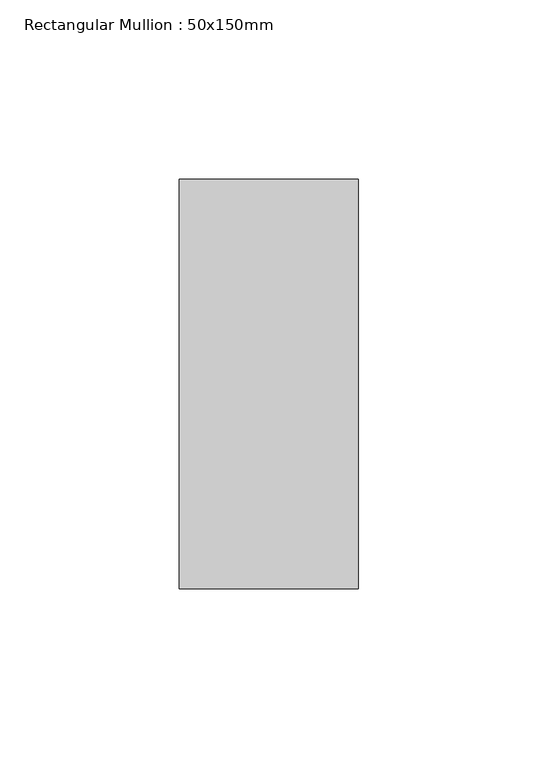
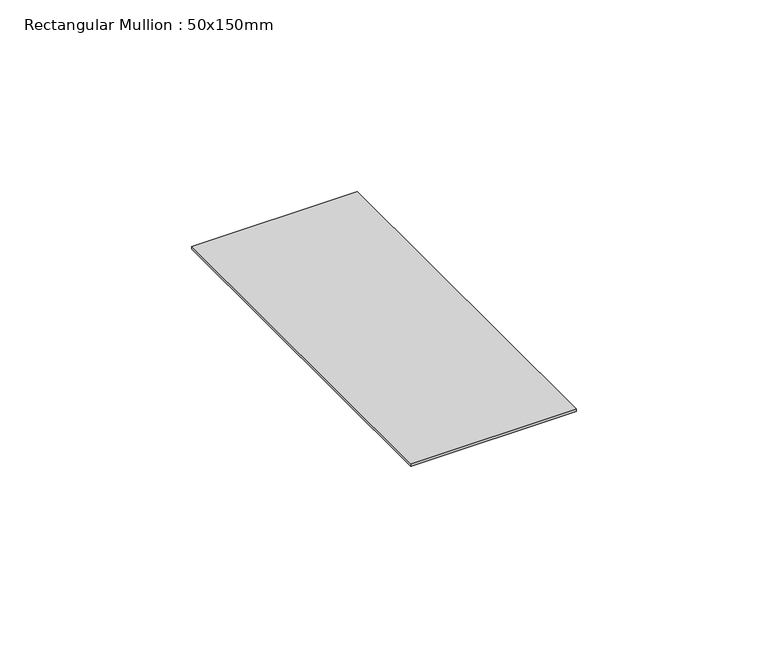
"""IFC4 building model written with IfcOpenShell, lengths in millimetres: member geometry, Rectangular Mullion : 50x150mm."""

import ifcopenshell
import ifcopenshell.guid

model = None  # the IFC model being written
_history = None  # IfcOwnerHistory: only IFC2X3 demands one
_inside = {}  # id of a spatial element -> (the spatial element, [elements in it])
_under = {}  # id of a project, library or spatial element -> (it, [spatial elements below it])
_declared = {}  # id of a project -> (the project, [libraries it declares])
_typed = {}  # id of a type object -> (the type object, [elements of that type])
_made_of = {}  # id of a material, layer set ... -> (it, [elements and type objects made of it])


def new_model(schema):
    """Start an empty IFC model of exactly this schema.

    Asked for "IFC4X3", IfcOpenShell would pick the latest addendum, in which some entities
    have other attributes; the version numbers below select the first issue.
    IFC2X3 requires an IfcOwnerHistory on every rooted entity: one is made here for all.
    """
    global model, _history
    if schema == "IFC4X3":
        model = ifcopenshell.file(schema_version=(4, 3, 0, 0))
    else:
        model = ifcopenshell.file(schema=schema)
    _inside.clear()
    _under.clear()
    _declared.clear()
    _typed.clear()
    _made_of.clear()
    _history = None
    if model.schema == "IFC2X3":
        org = make("IfcOrganization", Name="unknown")
        user = make(
            "IfcPersonAndOrganization",
            ThePerson=make("IfcPerson", FamilyName="unknown"),
            TheOrganization=org,
        )
        app = make(
            "IfcApplication",
            ApplicationDeveloper=org,
            Version="unknown",
            ApplicationFullName="unknown",
            ApplicationIdentifier="unknown",
        )
        _history = make(
            "IfcOwnerHistory",
            OwningUser=user,
            OwningApplication=app,
            ChangeAction="ADDED",
            CreationDate=0,
        )
    return model


def make(cls, **values):
    """One entity of the class cls with the attributes given. An attribute that is None is left unset."""
    return model.create_entity(
        cls, **{name: value for name, value in values.items() if value is not None}
    )


def rooted(cls, **values):
    """An entity with a GlobalId (a new one), such as an element, a storey or a relation."""
    return make(cls, GlobalId=ifcopenshell.guid.new(), OwnerHistory=_history, **values)


def si_unit(unit_type, name, prefix=None):
    """IfcSIUnit, for example si_unit("LENGTHUNIT", "METRE", prefix="MILLI")."""
    return make("IfcSIUnit", UnitType=unit_type, Prefix=prefix, Name=name)


def assignment(units):
    """IfcUnitAssignment: the units of a project."""
    return None if units is None else make("IfcUnitAssignment", Units=units)


def point(xyz):
    """IfcCartesianPoint."""
    return None if xyz is None else make("IfcCartesianPoint", Coordinates=xyz)


def direction(xyz):
    """IfcDirection."""
    return None if xyz is None else make("IfcDirection", DirectionRatios=xyz)


def frame(location, z_axis=None, x_axis=None):
    """IfcAxis2Placement3D, a coordinate frame: its origin and axes. An axis left out is left unset."""
    return make(
        "IfcAxis2Placement3D",
        Location=point(location),
        Axis=direction(z_axis),
        RefDirection=direction(x_axis),
    )


def origin():
    """The frame at (0, 0, 0) with its axes left unset."""
    return frame((0.0, 0.0, 0.0))


def place(relative_to, where):
    """IfcLocalPlacement: puts the frame where relative to a parent placement (None: the world)."""
    return make(
        "IfcLocalPlacement", PlacementRelTo=relative_to, RelativePlacement=where
    )


def context(
    kind, dimensions, precision=None, world=None, true_north=None, identifier=None
):
    """IfcGeometricRepresentationContext, for example the 3D "Model" context."""
    return make(
        "IfcGeometricRepresentationContext",
        ContextIdentifier=identifier,
        ContextType=kind,
        CoordinateSpaceDimension=dimensions,
        Precision=precision,
        WorldCoordinateSystem=world,
        TrueNorth=true_north,
    )


def project(units=None, contexts=None):
    """IfcProject with its units and contexts."""
    return rooted(
        "IfcProject",
        Name="project",
        RepresentationContexts=contexts,
        UnitsInContext=assignment(units),
    )


def spatial(cls, under=None, at=None, **own):
    """A site, building, storey or space (cls), placed at a placement, below another one or the project."""
    s = rooted(cls, ObjectPlacement=at, **own)
    if under is not None:
        _under.setdefault(under.id(), (under, []))[1].append(s)
    return s


def polyline(points):
    """IfcPolyline through the points."""
    return make("IfcPolyline", Points=[point(p) for p in points])


def outline(outer, holes=None, kind="AREA"):
    """IfcArbitraryClosedProfileDef: a profile drawn as a closed curve; with holes, ...WithVoids."""
    if holes is None:
        return make("IfcArbitraryClosedProfileDef", ProfileType=kind, OuterCurve=outer)
    return make(
        "IfcArbitraryProfileDefWithVoids",
        ProfileType=kind,
        OuterCurve=outer,
        InnerCurves=holes,
    )


def extrude(swept, where, along, depth):
    """IfcExtrudedAreaSolid: the profile swept, set in the frame where, extruded along a direction by depth."""
    return make(
        "IfcExtrudedAreaSolid",
        SweptArea=swept,
        Position=where,
        ExtrudedDirection=direction(along),
        Depth=depth,
    )


def shape(context_of_items, identifier, shape_type, items):
    """IfcShapeRepresentation: the items that make up one representation, for example the "Body"."""
    return make(
        "IfcShapeRepresentation",
        ContextOfItems=context_of_items,
        RepresentationIdentifier=identifier,
        RepresentationType=shape_type,
        Items=items,
    )


def source(mapping_origin, context_of_items, identifier, shape_type, items):
    """IfcRepresentationMap: a shape defined once, which mapped items show again and again."""
    return make(
        "IfcRepresentationMap",
        MappingOrigin=mapping_origin,
        MappedRepresentation=shape(context_of_items, identifier, shape_type, items),
    )


def transform(
    local_origin,
    x_axis=None,
    y_axis=None,
    z_axis=None,
    scale=None,
    scale2=None,
    scale3=None,
    uniform=True,
):
    """IfcCartesianTransformationOperator3D, or its non-uniform kind. x_axis, y_axis, z_axis: its Axis1, 2, 3."""
    if uniform:
        return make(
            "IfcCartesianTransformationOperator3D",
            Axis1=direction(x_axis),
            Axis2=direction(y_axis),
            LocalOrigin=point(local_origin),
            Scale=scale,
            Axis3=direction(z_axis),
        )
    return make(
        "IfcCartesianTransformationOperator3DnonUniform",
        Axis1=direction(x_axis),
        Axis2=direction(y_axis),
        LocalOrigin=point(local_origin),
        Scale=scale,
        Axis3=direction(z_axis),
        Scale2=scale2,
        Scale3=scale3,
    )


def mapped(mapping_source, mapping_target):
    """IfcMappedItem: shows the shape of a source again, moved by a transform."""
    return make(
        "IfcMappedItem", MappingSource=mapping_source, MappingTarget=mapping_target
    )


def made_of(thing, what):
    """Note that an element or type object is made of a material, layer set ...; save() writes the relation."""
    if what is not None:
        _made_of.setdefault(what.id(), (what, []))[1].append(thing)
    return thing


def element(
    cls,
    number,
    at=None,
    inside=None,
    cuts=None,
    type_object=None,
    material=None,
    context=None,
    identifier="Body",
    shape_type=None,
    held_by="IfcProductDefinitionShape",
    body=None,
    shapes=None,
    **own,
):
    """One element of the class cls, such as IfcWall. Its Tag is "e" and its number.

    at: its placement. inside: the storey or other place that contains it. cuts: it is an
    opening in that element (IfcRelVoidsElement). A single representation is given by context,
    identifier, shape_type and body (its items); several are given by shapes. held_by: the class
    of the entity that holds the representations. save() writes the other relations.
    """
    e = rooted(cls, Tag="e%d" % number, ObjectPlacement=at, **own)
    if body is not None:
        shapes = [shape(context, identifier, shape_type, body)]
    if shapes is not None:
        e.Representation = make(held_by, Representations=shapes)
    if inside is not None:
        _inside.setdefault(inside.id(), (inside, []))[1].append(e)
    if cuts is not None:
        rooted(
            "IfcRelVoidsElement", RelatingBuildingElement=cuts, RelatedOpeningElement=e
        )
    if type_object is not None:
        _typed.setdefault(type_object.id(), (type_object, []))[1].append(e)
    return made_of(e, material)


def aggregate(whole, parts):
    """IfcRelAggregates: a whole, such as a stair, and the parts it consists of."""
    return rooted("IfcRelAggregates", RelatingObject=whole, RelatedObjects=parts)


def save(model, path):
    """Write the relations noted so far, then the file.

    IfcRelAggregates (storeys below a building ...), IfcRelContainedInSpatialStructure (elements
    in a storey), IfcRelDefinesByType, IfcRelAssociatesMaterial and IfcRelDeclares: one each for
    every whole, place, type object, material and project.
    """
    for whole, parts in _under.values():
        aggregate(whole, parts)
    for where, things in _inside.values():
        rooted(
            "IfcRelContainedInSpatialStructure",
            RelatedElements=things,
            RelatingStructure=where,
        )
    for kind, things in _typed.values():
        rooted("IfcRelDefinesByType", RelatedObjects=things, RelatingType=kind)
    for what, things in _made_of.values():
        rooted("IfcRelAssociatesMaterial", RelatedObjects=things, RelatingMaterial=what)
    for by, libraries in _declared.values():
        rooted("IfcRelDeclares", RelatingContext=by, RelatedDefinitions=libraries)
    model.write(path)


def rectangular_mullion_50x150mm_02240e04(model_context):
    return source(origin(), model_context, "Body", "SweptSolid", [
        extrude(outline(polyline([(0.0, 57.15), (0.0, -57.15), (-50.0, -57.15), (-50.0, 57.15), (0.0, 57.15)])), frame((0.0, 0.0, -0.7999997), z_axis=(0.0, 0.0, 1.0), x_axis=(1.0, 0.0, 0.0)), (0.0, 0.0, 1.0), 0.7999997),
    ])


if __name__ == "__main__":
    model = new_model("IFC4")
    model_context = context("Model", 3, world=origin())
    ifc_project = project(units=[si_unit("LENGTHUNIT", "METRE", prefix="MILLI")], contexts=[model_context])
    site = spatial("IfcSite", under=ifc_project)
    building = spatial("IfcBuilding", under=site)
    placement = place(None, origin())
    rectangular_mullion_50x150mm_shape = rectangular_mullion_50x150mm_02240e04(model_context)
    element("IfcMember", 1, ObjectType="Rectangular Mullion : 50x150mm", at=placement, inside=building, context=model_context, shape_type="MappedRepresentation", body=[
        mapped(rectangular_mullion_50x150mm_shape, transform((0.0, 0.0, 0.0), x_axis=(1.0, 0.0, 0.0), y_axis=(0.0, 1.0, 0.0), z_axis=(0.0, 0.0, 1.0))),
    ])
    save(model, "model.ifc")
